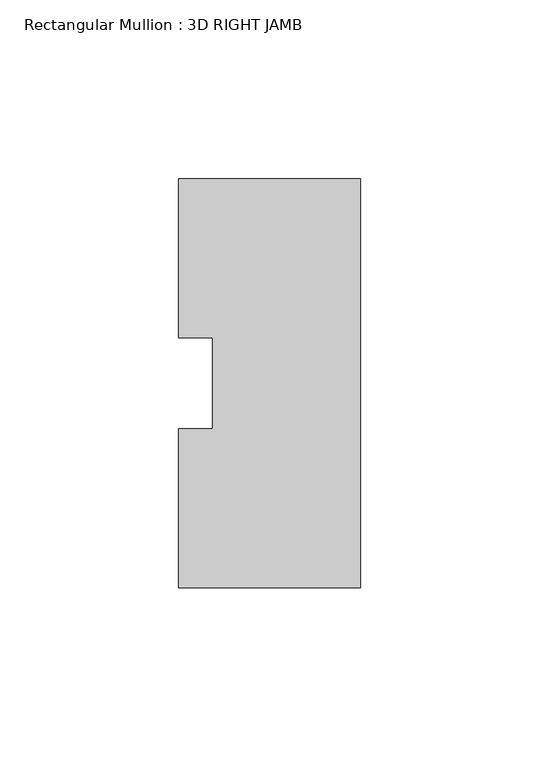
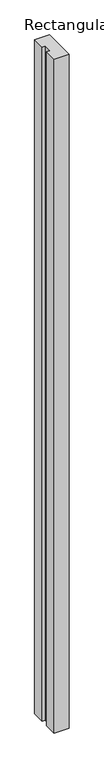
"""IFC4 building model written with IfcOpenShell, lengths in millimetres: member geometry, Rectangular Mullion : 3D RIGHT JAMB."""

from ifc_helpers import new_model, si_unit, frame, origin, place, context, project, spatial, polyline, outline, extrude, source, transform, mapped, element, save


def rectangular_mullion_3d_right_jamb_1303470b(model_context):
    return source(origin(), model_context, "Body", "SweptSolid", [
        extrude(outline(polyline([(0.0, -53.3781), (-50.8, -53.3781), (-50.8, -8.9607957), (-41.275, -8.9607957), (-41.275, 16.5269026), (-50.8, 16.5269026), (-50.8, 60.9219), (0.0, 60.934981), (0.0, -53.3781)])), frame((0.0, 0.0, -2412.0527147), z_axis=(0.0, 0.0, 1.0), x_axis=(1.0, 0.0, 0.0)), (0.0, 0.0, 1.0), 2412.0527147),
    ])


if __name__ == "__main__":
    model = new_model("IFC4")
    model_context = context("Model", 3, world=origin())
    ifc_project = project(units=[si_unit("LENGTHUNIT", "METRE", prefix="MILLI")], contexts=[model_context])
    site = spatial("IfcSite", under=ifc_project)
    building = spatial("IfcBuilding", under=site)
    placement = place(None, origin())
    rectangular_mullion_3d_right_jamb_shape = rectangular_mullion_3d_right_jamb_1303470b(model_context)
    element("IfcMember", 1, ObjectType="Rectangular Mullion : 3D RIGHT JAMB", at=placement, inside=building, context=model_context, shape_type="MappedRepresentation", body=[
        mapped(rectangular_mullion_3d_right_jamb_shape, transform((0.0, 0.0, 0.0), x_axis=(1.0, 0.0, 0.0), y_axis=(0.0, 1.0, 0.0), z_axis=(0.0, 0.0, 1.0))),
    ])
    save(model, "model.ifc")
